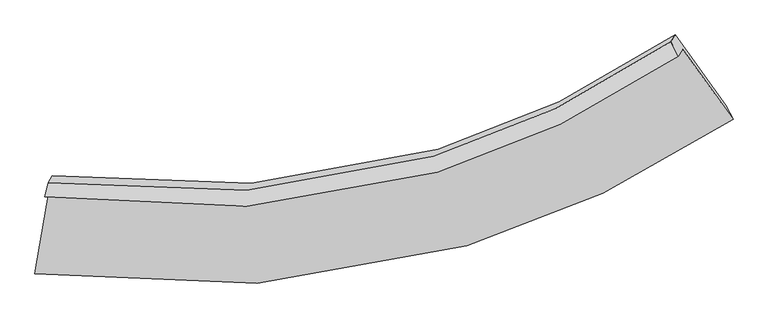
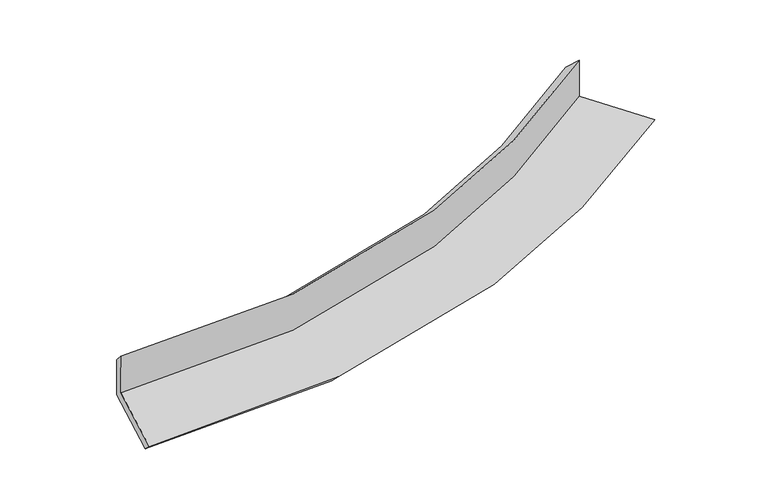
"""IFC4 building model written with IfcOpenShell, lengths in millimetres: proxy geometry."""

from ifc_helpers import new_model, si_unit, frame, origin, place, context, project, spatial, source, transform, mapped, element, save
from ifc_brep_helpers import plane_surface, spline_curve, spline_surface, advanced_brep


def generic_models_556c1868(model_context):
    return source(origin(), model_context, "Body", "AdvancedBrep", [
        advanced_brep(
        [(-2737.6883994, -1969.2883823, 2039.0211246), (-2704.2568646, -1914.5066867, 1631.0564725), (2231.8201206, -819.8146483, 2185.888254), (2198.8198731, -873.8896263, 2588.5899114), (-2711.7428819, -1858.611743, 1930.7765674), (2140.660502, -761.7042056, 2469.7491642), (-2679.3988819, -1805.6121075, 1536.0830912), (2173.0700232, -708.5972055, 2074.256133), (-2790.4201448, -2462.5478629, 1438.771558), (2568.4293855, -1258.5349154, 2032.8087923), (-2815.2650587, -2571.3651111, 1533.7563943), (2625.0147764, -1366.7412907, 2144.6678495)],
        [
            (0, 1),
            (1, 2, spline_curve(3, [(-2704.2568646, -1914.5066867, 1631.0564725), (-1624.86607999, -2076.528187915, 1694.458998238), (-606.439612742, -2013.796936155, 1785.393121959), (1006.530181392, -1529.492658054, 1984.964072187), (1633.46270908, -1227.326563535, 2078.9738756), (2231.8201206, -819.8146483, 2185.888254)], [4, 2, 4], [0.0, 10.142237303435662, 17.08592074500973])),
            (2, 3),
            (3, 0, spline_curve(3, [(2198.8198731, -873.8896263, 2588.5899114), (1600.579832513, -1281.209214697, 2480.243255713), (973.69323282, -1583.300050384, 2385.672993866), (-639.339344669, -2067.70720737, 2186.868189994), (-1657.955502589, -2130.749289942, 2098.248856303), (-2737.6883994, -1969.2883823, 2039.0211246)], [4, 2, 4], [0.0, 6.943683441574068, 17.08592074500973])),
            (4, 0),
            (3, 5),
            (5, 4, spline_curve(3, [(2140.660502, -761.7042056, 2469.7491642), (1553.057292252, -1161.377446823, 2367.239511977), (937.114971943, -1459.012458496, 2276.71746045), (-648.231128466, -1940.306161879, 2083.472273515), (-1649.75660271, -2008.306995848, 1994.33679284), (-2711.7428819, -1858.611743, 1930.7765674)], [4, 2, 4], [0.0, 6.885165819469886, 16.94192981254985])),
            (6, 4),
            (5, 7),
            (7, 6, spline_curve(3, [(2173.0700232, -708.5972055, 2074.256133), (1585.86379434, -1107.619944433, 1966.902126851), (970.153515629, -1404.874727448, 1873.548475131), (-615.027470485, -1885.89787054, 1678.288399222), (-1616.80682676, -1954.314721672, 1592.251037246), (-2679.3988819, -1805.6121075, 1536.0830912)], [4, 2, 4], [0.0, 6.826713722041193, 16.798100112873932])),
            (8, 6),
            (7, 9),
            (9, 8, spline_curve(3, [(2568.4293855, -1258.5349154, 2032.8087923), (1920.817129696, -1697.50418806, 1915.140645033), (1241.371886196, -2024.361888939, 1812.589000781), (-508.829371285, -2552.775284962, 1597.442400033), (-1615.667304393, -2627.255232793, 1501.981632489), (-2790.4201448, -2462.5478629, 1438.771558)], [4, 2, 4], [0.0, 7.148475518188519, 17.58984077818556])),
            (10, 8),
            (9, 11),
            (11, 10, spline_curve(3, [(2625.0147764, -1366.7412907, 2144.6678495), (1964.738211938, -1807.713023841, 2028.186372833), (1273.292418047, -2135.793019956, 1925.410160426), (-504.804628275, -2665.294338459, 1706.238424266), (-1626.785446012, -2738.755616036, 1605.377484554), (-2815.2650587, -2571.3651111, 1533.7563943)], [4, 2, 4], [0.0, 7.555135324774643, 18.590485073677296])),
            (1, 10),
            (11, 2),
        ],
        [
            spline_surface(3, 3, [[(-2737.6883994, -1969.2883823, 2039.0211246), (-1657.955502471, -2130.749290044, 2098.248856259), (-639.339344736, -2067.707207217, 2186.868190034), (973.693232865, -1583.300050489, 2385.672993839), (1600.579832601, -1281.209214625, 2480.243255718), (2198.8198731, -873.8896263, 2588.5899114)], [(-2726.54455446, -1951.027817113, 1903.032907213), (-1646.925695005, -2112.675589333, 1963.652236922), (-628.372767408, -2049.737116891, 2053.043167382), (984.638882363, -1565.364252994, 2252.103353267), (1611.54079142, -1263.248330918, 2346.486795664), (2209.819955589, -855.86463363, 2454.356025623)], [(-2715.40070954, -1932.767251887, 1767.044689887), (-1635.89588756, -2094.601888582, 1829.055617646), (-617.406190056, -2031.767026559, 1919.218144719), (995.584531885, -1547.428455495, 2118.533712684), (1622.50175027, -1245.28744722, 2212.730335542), (2220.820038111, -837.83964097, 2320.122139777)], [(-2704.2568646, -1914.5066867, 1631.0564725), (-1624.866080095, -2076.528187871, 1694.458998309), (-606.439612728, -2013.796936232, 1785.393122068), (1006.530181383, -1529.492658, 1984.964072113), (1633.462709089, -1227.326563513, 2078.973875488), (2231.8201206, -819.8146483, 2185.888254)]], [4, 4], [4, 2, 4], [0.0, 1.3330384978254803], [0.0, 10.142237303435662, 17.08592074500973]),
            spline_surface(3, 3, [[(-2711.7428819, -1858.611743, 1930.7765674), (-1649.756602735, -2008.306995953, 1994.336792886), (-648.231128403, -1940.306161886, 2083.472273593), (937.1149719, -1459.012458491, 2276.717460397), (1553.057292238, -1161.377446734, 2367.239511958), (2140.660502, -761.7042056, 2469.7491642)], [(-2720.391387754, -1895.503956095, 1966.858086488), (-1652.489569334, -2049.121093978, 2028.974147365), (-645.267200503, -1982.773177005, 2117.937579094), (949.307725566, -1500.441655832, 2313.035971565), (1568.898139038, -1201.321369359, 2404.90742654), (2160.046959045, -799.099345828, 2509.362746595)], [(-2729.039893546, -1932.396169205, 2002.939605512), (-1655.222535871, -2089.935192019, 2063.61150178), (-642.303272636, -2025.240192098, 2152.402884533), (961.500479199, -1541.870853148, 2349.354482671), (1584.738985801, -1241.265292, 2442.575341136), (2179.433416055, -836.494486072, 2548.976329005)], [(-2737.6883994, -1969.2883823, 2039.0211246), (-1657.955502471, -2130.749290044, 2098.248856259), (-639.339344736, -2067.707207217, 2186.868190034), (973.693232865, -1583.300050489, 2385.672993839), (1600.579832601, -1281.209214625, 2480.243255718), (2198.8198731, -873.8896263, 2588.5899114)]], [4, 4], [4, 2, 4], [0.0, 0.5418389602339198], [0.0, 10.056763993079965, 16.94192981254985]),
            spline_surface(3, 3, [[(-2679.3988819, -1805.6121075, 1536.0830912), (-1616.806826606, -1954.314721506, 1592.251037236), (-615.027470372, -1885.89787055, 1678.288399311), (970.153515552, -1404.874727442, 1873.54847507), (1585.86379436, -1107.619944403, 1966.902126935), (2173.0700232, -708.5972055, 2074.256133)], [(-2690.180215219, -1823.278652659, 1667.647583257), (-1627.790085301, -1972.312146314, 1726.279622443), (-626.095356384, -1904.033967659, 1813.34969073), (959.140667667, -1422.920637788, 2007.938136837), (1574.928293652, -1125.539111853, 2100.347921936), (2162.266849466, -726.299538873, 2206.087143393)], [(-2700.961548581, -1840.945197841, 1799.212075343), (-1638.773344039, -1990.309571145, 1860.308207679), (-637.163242391, -1922.170064777, 1948.410982174), (948.127819786, -1440.966548145, 2142.32779863), (1563.992792946, -1143.458279284, 2233.793716957), (2151.463675734, -744.001872227, 2337.918153807)], [(-2711.7428819, -1858.611743, 1930.7765674), (-1649.756602735, -2008.306995953, 1994.336792886), (-648.231128403, -1940.306161886, 2083.472273593), (937.1149719, -1459.012458491, 2276.717460397), (1553.057292238, -1161.377446734, 2367.239511958), (2140.660502, -761.7042056, 2469.7491642)]], [4, 4], [4, 2, 4], [0.0, 1.3425342481556817], [0.0, 9.97138639083274, 16.798100112873932]),
            spline_surface(3, 3, [[(-2790.4201448, -2462.5478629, 1438.771558), (-1615.667304331, -2627.25523296, 1501.981632579), (-508.829371205, -2552.775284814, 1597.442399895), (1241.371886141, -2024.36188904, 1812.589000875), (1920.817129745, -1697.504188054, 1915.140644996), (2568.4293855, -1258.5349154, 2032.8087923)], [(-2753.41305716, -2243.569277768, 1471.208735717), (-1616.047145083, -2402.941729144, 1532.071434114), (-544.228737607, -2330.482813382, 1624.391066371), (1150.965762598, -1817.866168497, 1832.90882561), (1809.166017934, -1500.876106853, 1932.394472291), (2436.642931384, -1075.222345449, 2046.624572515)], [(-2716.40596954, -2024.590692632, 1503.645913483), (-1616.426985854, -2178.628225323, 1562.1612357), (-579.628103969, -2108.190341982, 1651.339732835), (1060.559639096, -1611.370447985, 1853.228650334), (1697.51490617, -1304.248025604, 1949.648299639), (2304.856477316, -891.909775451, 2060.440352785)], [(-2679.3988819, -1805.6121075, 1536.0830912), (-1616.806826606, -1954.314721506, 1592.251037236), (-615.027470372, -1885.89787055, 1678.288399311), (970.153515552, -1404.874727442, 1873.54847507), (1585.86379436, -1107.619944403, 1966.902126935), (2173.0700232, -708.5972055, 2074.256133)]], [4, 4], [4, 2, 4], [0.0, 2.2089378941642996], [0.0, 10.441365259997042, 17.58984077818556]),
            spline_surface(3, 3, [[(-2815.2650587, -2571.3651111, 1533.7563943), (-1626.785446057, -2738.755615936, 1605.377484669), (-504.804628277, -2665.294338551, 1706.238424118), (1273.292418048, -2135.793019893, 1925.410160527), (1964.738211933, -1807.713023851, 2028.186372816), (2625.0147764, -1366.7412907, 2144.6678495)], [(-2806.983420744, -2535.092695026, 1502.09478221), (-1623.079398826, -2701.588821604, 1570.912200649), (-506.146209254, -2627.787987296, 1669.973082703), (1262.652240745, -2098.649309599, 1887.803107303), (1950.097851193, -1770.976745248, 1990.504463552), (2606.152979423, -1330.67249893, 2107.38149711)], [(-2798.701782756, -2498.820278974, 1470.43317009), (-1619.373351562, -2664.422027292, 1536.446916598), (-507.487790228, -2590.281636069, 1633.70774131), (1252.012063444, -2061.505599334, 1850.196054099), (1935.457490485, -1734.240466657, 1952.822554259), (2587.291182477, -1294.60370717, 2070.09514469)], [(-2790.4201448, -2462.5478629, 1438.771558), (-1615.667304331, -2627.25523296, 1501.981632579), (-508.829371205, -2552.775284814, 1597.442399895), (1241.371886141, -2024.36188904, 1812.589000875), (1920.817129745, -1697.504188054, 1915.140644996), (2568.4293855, -1258.5349154, 2032.8087923)]], [4, 4], [4, 2, 4], [0.0, 0.5165030507703348], [0.0, 11.035349748902654, 18.590485073677296]),
            spline_surface(3, 3, [[(-2704.2568646, -1914.5066867, 1631.0564725), (-1624.866080095, -2076.528187871, 1694.458998309), (-606.439612728, -2013.796936232, 1785.393122068), (1006.530181383, -1529.492658, 1984.964072113), (1633.462709089, -1227.326563513, 2078.973875488), (2231.8201206, -819.8146483, 2185.888254)], [(-2741.259595962, -2133.45949484, 1598.623113115), (-1625.505868744, -2297.270663899, 1664.765160444), (-572.561284564, -2230.962737018, 1759.008222738), (1095.450926952, -1731.592778644, 1965.112768238), (1743.887876728, -1420.788716949, 2062.044707927), (2362.885005891, -1002.12352909, 2172.148119164)], [(-2778.262327338, -2352.41230296, 1566.189753685), (-1626.145657407, -2518.013139908, 1635.071322534), (-538.682956441, -2448.128537765, 1732.623323447), (1184.371672479, -1933.692899249, 1945.261464402), (1854.313044294, -1614.250870415, 2045.115540376), (2493.949891109, -1184.43240991, 2158.407984336)], [(-2815.2650587, -2571.3651111, 1533.7563943), (-1626.785446057, -2738.755615936, 1605.377484669), (-504.804628277, -2665.294338551, 1706.238424118), (1273.292418048, -2135.793019893, 1925.410160527), (1964.738211933, -1807.713023851, 2028.186372816), (2625.0147764, -1366.7412907, 2144.6678495)]], [4, 4], [4, 2, 4], [0.0, 2.159835638370191], [0.0, 10.603794004527028, 17.863473170400507]),
            plane_surface(frame((2322.9691135, -964.8803153, 2249.3266841), z_axis=(0.8086920820999425, 0.5706127802835124, 0.14289216677614075), x_axis=(-0.5826353505394051, 0.8104352163384728, 0.06108034397609078))),
            plane_surface(frame((-2739.7953719, -2096.9886489, 1684.910868), z_axis=(-0.9829849109194417, 0.17458276768381817, -0.0571097376333972), x_axis=(-0.08095161919736252, -0.1326492182243571, 0.9878517197706305))),
        ],
        [
            (0, [[1, 2, 3, 4]]),
            (1, [[5, -4, 6, 7]]),
            (2, [[8, -7, 9, 10]]),
            (3, [[11, -10, 12, 13]]),
            (4, [[14, -13, 15, 16]]),
            (5, [[17, -16, 18, -2]]),
            (6, [[-12, -9, -6, -3, -18, -15]]),
            (7, [[-1, -5, -8, -11, -14, -17]]),
        ],
    ),
    ])


if __name__ == "__main__":
    model = new_model("IFC4")
    model_context = context("Model", 3, world=origin())
    ifc_project = project(units=[si_unit("LENGTHUNIT", "METRE", prefix="MILLI")], contexts=[model_context])
    site = spatial("IfcSite", under=ifc_project)
    building = spatial("IfcBuilding", under=site)
    placement = place(None, origin())
    generic_models_shape = generic_models_556c1868(model_context)
    element("IfcBuildingElementProxy", 1, Name="Generic Models", at=placement, inside=building, context=model_context, shape_type="MappedRepresentation", body=[
        mapped(generic_models_shape, transform((0.0, 0.0, 0.0), x_axis=(1.0, 0.0, 0.0), y_axis=(0.0, 1.0, 0.0), z_axis=(0.0, 0.0, 1.0))),
    ])
    save(model, "model.ifc")
